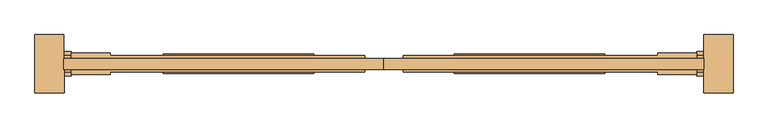
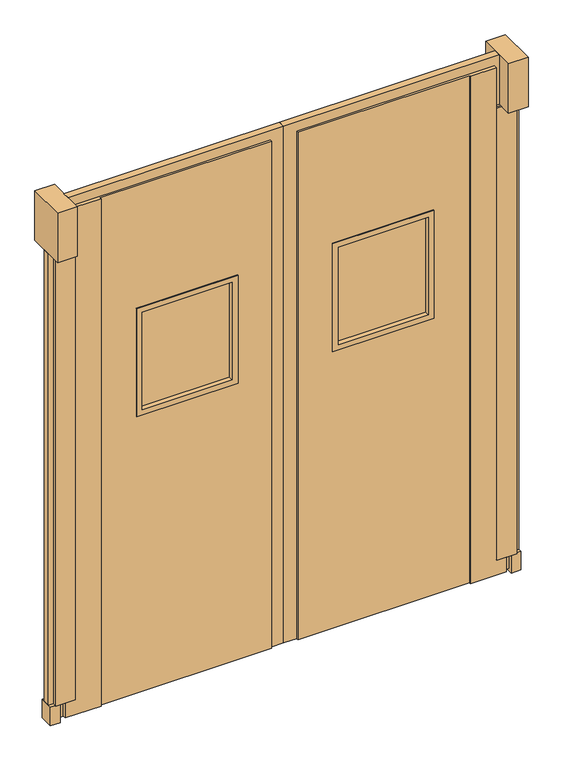
"""IFC4 building model written with IfcOpenShell, lengths in millimetres: door geometry."""

from ifc_helpers import new_model, si_unit, frame, origin, origin_with_axes, place, context, project, spatial, polyline, outline, extrude, faceted_brep, source, transform, mapped, element, save


def door_95a2a353(model_context):
    return source(origin(), model_context, "Body", "SolidModel", [
        faceted_brep([(2452.0406968, -884.8660438, 1930.4), (2452.0406968, -884.8660438, 76.2), (2490.1406968, -884.8660438, 76.2), (2490.1406968, -884.8660438, 1930.4), (1683.6906968, -884.8660438, 12.7), (2350.4406968, -884.8660438, 12.7), (2350.4406968, -884.8660438, 2095.5), (1683.6906968, -884.8660438, 2095.5), (1836.0906968, -884.8660438, 1574.8), (2191.6906968, -884.8660438, 1574.8), (2191.6906968, -884.8660438, 1168.4), (1836.0906968, -884.8660438, 1168.4), (1683.6906968, -840.4160438, 2095.5), (2350.4406968, -840.4160438, 2095.5), (2350.4406968, -840.4160438, 12.7), (1683.6906968, -840.4160438, 12.7), (1836.0906968, -840.4160438, 1574.8), (1836.0906968, -840.4160438, 1168.4), (2191.6906968, -840.4160438, 1168.4), (2191.6906968, -840.4160438, 1574.8), (2490.1406968, -840.4160438, 1930.4), (2490.1406968, -840.4160438, 76.2), (2452.0406968, -840.4160438, 76.2), (2452.0406968, -840.4160438, 1930.4), (2350.4406968, -890.4222938, 2095.5), (2452.0406968, -890.4222938, 2095.5), (2452.0406968, -834.8597938, 2095.5), (2350.4406968, -834.8597938, 2095.5), (2452.0406968, -890.4222938, 76.2), (2452.0406968, -834.8597938, 76.2), (2490.1406968, -890.4222938, 76.2), (2490.1406968, -890.4222938, 12.7), (2490.1406968, -834.8597938, 12.7), (2490.1406968, -834.8597938, 76.2), (2350.4406968, -890.4222938, 12.7), (2350.4406968, -834.8597938, 12.7)], [[[0, 1, 2, 3]], [[4, 5, 6, 7], [8, 9, 10, 11]], [[12, 13, 14, 15], [16, 17, 18, 19]], [[20, 21, 22, 23]], [[7, 6, 24, 25, 26, 27, 13, 12]], [[25, 28, 1, 0, 23, 22, 29, 26]], [[3, 20, 23, 0]], [[3, 2, 30, 31, 32, 33, 21, 20]], [[31, 34, 5, 4, 15, 14, 35, 32]], [[7, 12, 15, 4]], [[11, 17, 16, 8]], [[10, 18, 17, 11]], [[9, 19, 18, 10]], [[8, 16, 19, 9]], [[34, 31, 30, 28, 25, 24]], [[35, 27, 26, 29, 33, 32]], [[24, 6, 5, 34]], [[35, 14, 13, 27]], [[30, 2, 1, 28]], [[29, 22, 21, 33]]]),
        extrude(outline(polyline([(2509.1906968, -890.4222938), (2509.1906968, -834.8597938), (2547.2906968, -834.8597938), (2547.2906968, -890.4222938), (2509.1906968, -890.4222938)])), origin_with_axes(), (0.0, 0.0, 1.0), 76.2),
        extrude(outline(polyline([(2095.5, 1683.6906968), (2095.5, 2452.0406968), (1930.4, 2452.0406968), (1930.4, 2471.0906968), (2133.6, 2471.0906968), (2133.6, 1632.8906968), (12.7, 1632.8906968), (12.7, 1683.6906968), (2095.5, 1683.6906968)])), frame((0.0, -877.0932133, 0.0), z_axis=(0.0, 1.0, 0.0), x_axis=(0.0, 0.0, 1.0)), (0.0, 0.0, 1.0), 28.8005507),
        extrude(outline(polyline([(2528.2406968, -877.0932133), (2528.2406968, -848.2926626), (2547.2906968, -848.2926626), (2547.2906968, -877.0932133), (2528.2406968, -877.0932133)])), frame((0.0, 0.0, 76.2), z_axis=(0.0, 0.0, 1.0), x_axis=(1.0, 0.0, 0.0)), (0.0, 0.0, 1.0), 1854.2),
        extrude(outline(polyline([(2490.1406968, -877.0932133), (2490.1406968, -848.2926626), (2509.1906968, -848.2926626), (2509.1906968, -877.0932133), (2490.1406968, -877.0932133)])), frame((0.0, 0.0, 12.7), z_axis=(0.0, 0.0, 1.0), x_axis=(1.0, 0.0, 0.0)), (0.0, 0.0, 1.0), 63.5),
        extrude(outline(polyline([(2452.0406968, -894.3910438), (2452.0406968, -830.8910438), (2528.2406968, -830.8910438), (2528.2406968, -894.3910438), (2452.0406968, -894.3910438)])), frame((0.0, 0.0, 76.2), z_axis=(0.0, 0.0, 1.0), x_axis=(1.0, 0.0, 0.0)), (0.0, 0.0, 1.0), 1854.2),
        extrude(outline(polyline([(2471.0906968, -938.8410438), (2471.0906968, -786.4410438), (2547.2906968, -786.4410438), (2547.2906968, -938.8410438), (2471.0906968, -938.8410438)])), frame((0.0, 0.0, 1930.4), z_axis=(0.0, 0.0, 1.0), x_axis=(1.0, 0.0, 0.0)), (0.0, 0.0, 1.0), 203.2),
        extrude(outline(polyline([(1839.2656968, -868.9910438), (1839.2656968, -856.2910438), (2188.5156968, -856.2910438), (2188.5156968, -868.9910438), (1839.2656968, -868.9910438)])), frame((0.0, 0.0, 1171.575), z_axis=(0.0, 0.0, 1.0), x_axis=(1.0, 0.0, 0.0)), (0.0, 0.0, 1.0), 400.05),
        extrude(outline(polyline([(1593.85, 1817.0406968), (1149.35, 1817.0406968), (1149.35, 2210.7406968), (1593.85, 2210.7406968), (1593.85, 1817.0406968)]), holes=[polyline([(1171.575, 1839.2656968), (1571.625, 1839.2656968), (1571.625, 2188.5156968), (1171.575, 2188.5156968), (1171.575, 1839.2656968)])]), frame((0.0, -888.0410438, 0.0), z_axis=(0.0, 1.0, 0.0), x_axis=(0.0, 0.0, 1.0)), (0.0, 0.0, 1.0), 50.8),
        faceted_brep([(813.7406968, -884.8660438, 1930.4), (775.6406968, -884.8660438, 1930.4), (775.6406968, -884.8660438, 76.2), (813.7406968, -884.8660438, 76.2), (1582.0906968, -884.8660438, 12.7), (1582.0906968, -884.8660438, 2095.5), (915.3406968, -884.8660438, 2095.5), (915.3406968, -884.8660438, 12.7), (1429.6906968, -884.8660438, 1574.8), (1429.6906968, -884.8660438, 1168.4), (1074.0906968, -884.8660438, 1168.4), (1074.0906968, -884.8660438, 1574.8), (1582.0906968, -840.4160438, 2095.5), (1582.0906968, -840.4160438, 12.7), (915.3406968, -840.4160438, 12.7), (915.3406968, -840.4160438, 2095.5), (1429.6906968, -840.4160438, 1574.8), (1074.0906968, -840.4160438, 1574.8), (1074.0906968, -840.4160438, 1168.4), (1429.6906968, -840.4160438, 1168.4), (775.6406968, -840.4160438, 1930.4), (813.7406968, -840.4160438, 1930.4), (813.7406968, -840.4160438, 76.2), (775.6406968, -840.4160438, 76.2), (915.3406968, -834.8597938, 2095.5), (813.7406968, -834.8597938, 2095.5), (813.7406968, -890.4222938, 2095.5), (915.3406968, -890.4222938, 2095.5), (813.7406968, -834.8597938, 76.2), (813.7406968, -890.4222938, 76.2), (775.6406968, -834.8597938, 76.2), (775.6406968, -834.8597938, 12.7), (775.6406968, -890.4222938, 12.7), (775.6406968, -890.4222938, 76.2), (915.3406968, -834.8597938, 12.7), (915.3406968, -890.4222938, 12.7)], [[[0, 1, 2, 3]], [[4, 5, 6, 7], [8, 9, 10, 11]], [[12, 13, 14, 15], [16, 17, 18, 19]], [[20, 21, 22, 23]], [[5, 12, 15, 24, 25, 26, 27, 6]], [[26, 25, 28, 22, 21, 0, 3, 29]], [[1, 0, 21, 20]], [[1, 20, 23, 30, 31, 32, 33, 2]], [[32, 31, 34, 14, 13, 4, 7, 35]], [[5, 4, 13, 12]], [[9, 8, 16, 19]], [[10, 9, 19, 18]], [[11, 10, 18, 17]], [[8, 11, 17, 16]], [[35, 27, 26, 29, 33, 32]], [[34, 31, 30, 28, 25, 24]], [[27, 35, 7, 6]], [[34, 24, 15, 14]], [[33, 29, 3, 2]], [[28, 30, 23, 22]]]),
        extrude(outline(polyline([(756.5906968, -890.4222938), (718.4906968, -890.4222938), (718.4906968, -834.8597938), (756.5906968, -834.8597938), (756.5906968, -890.4222938)])), origin_with_axes(), (0.0, 0.0, 1.0), 76.2),
        extrude(outline(polyline([(2095.5, 1582.0906968), (12.7, 1582.0906968), (12.7, 1632.8906968), (2133.6, 1632.8906968), (2133.6, 794.6906968), (1930.4, 794.6906968), (1930.4, 813.7406968), (2095.5, 813.7406968), (2095.5, 1582.0906968)])), frame((0.0, -877.0932133, 0.0), z_axis=(0.0, 1.0, 0.0), x_axis=(0.0, 0.0, 1.0)), (0.0, 0.0, 1.0), 28.8005507),
        extrude(outline(polyline([(737.5406968, -877.0932133), (718.4906968, -877.0932133), (718.4906968, -848.2926626), (737.5406968, -848.2926626), (737.5406968, -877.0932133)])), frame((0.0, 0.0, 76.2), z_axis=(0.0, 0.0, 1.0), x_axis=(1.0, 0.0, 0.0)), (0.0, 0.0, 1.0), 1854.2),
        extrude(outline(polyline([(775.6406968, -877.0932133), (756.5906968, -877.0932133), (756.5906968, -848.2926626), (775.6406968, -848.2926626), (775.6406968, -877.0932133)])), frame((0.0, 0.0, 12.7), z_axis=(0.0, 0.0, 1.0), x_axis=(1.0, 0.0, 0.0)), (0.0, 0.0, 1.0), 63.5),
        extrude(outline(polyline([(813.7406968, -894.3910438), (737.5406968, -894.3910438), (737.5406968, -830.8910438), (813.7406968, -830.8910438), (813.7406968, -894.3910438)])), frame((0.0, 0.0, 76.2), z_axis=(0.0, 0.0, 1.0), x_axis=(1.0, 0.0, 0.0)), (0.0, 0.0, 1.0), 1854.2),
        extrude(outline(polyline([(794.6906968, -938.8410438), (718.4906968, -938.8410438), (718.4906968, -786.4410438), (794.6906968, -786.4410438), (794.6906968, -938.8410438)])), frame((0.0, 0.0, 1930.4), z_axis=(0.0, 0.0, 1.0), x_axis=(1.0, 0.0, 0.0)), (0.0, 0.0, 1.0), 203.2),
        extrude(outline(polyline([(1426.5156968, -868.9910438), (1077.2656968, -868.9910438), (1077.2656968, -856.2910438), (1426.5156968, -856.2910438), (1426.5156968, -868.9910438)])), frame((0.0, 0.0, 1171.575), z_axis=(0.0, 0.0, 1.0), x_axis=(1.0, 0.0, 0.0)), (0.0, 0.0, 1.0), 400.05),
        extrude(outline(polyline([(1593.85, 1448.7406968), (1593.85, 1055.0406968), (1149.35, 1055.0406968), (1149.35, 1448.7406968), (1593.85, 1448.7406968)]), holes=[polyline([(1171.575, 1426.5156968), (1171.575, 1077.2656968), (1571.625, 1077.2656968), (1571.625, 1426.5156968), (1171.575, 1426.5156968)])]), frame((0.0, -888.0410438, 0.0), z_axis=(0.0, 1.0, 0.0), x_axis=(0.0, 0.0, 1.0)), (0.0, 0.0, 1.0), 50.8),
    ])


if __name__ == "__main__":
    model = new_model("IFC4")
    model_context = context("Model", 3, world=origin())
    ifc_project = project(units=[si_unit("LENGTHUNIT", "METRE", prefix="MILLI")], contexts=[model_context])
    site = spatial("IfcSite", under=ifc_project)
    building = spatial("IfcBuilding", under=site)
    placement = place(None, origin())
    door_shape = door_95a2a353(model_context)
    element("IfcDoor", 1, at=placement, inside=building, context=model_context, shape_type="MappedRepresentation", body=[
        mapped(door_shape, transform((0.0, 0.0, 0.0), x_axis=(1.0, 0.0, 0.0), y_axis=(0.0, 1.0, 0.0), z_axis=(0.0, 0.0, 1.0))),
    ])
    save(model, "model.ifc")
